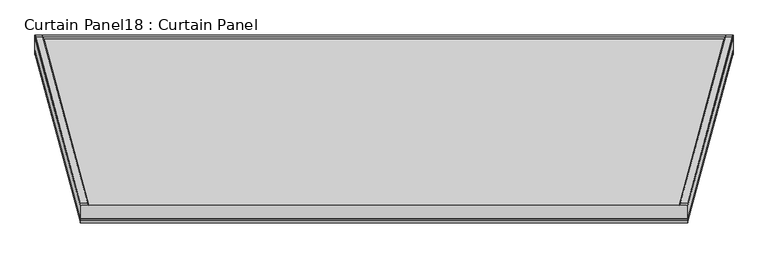
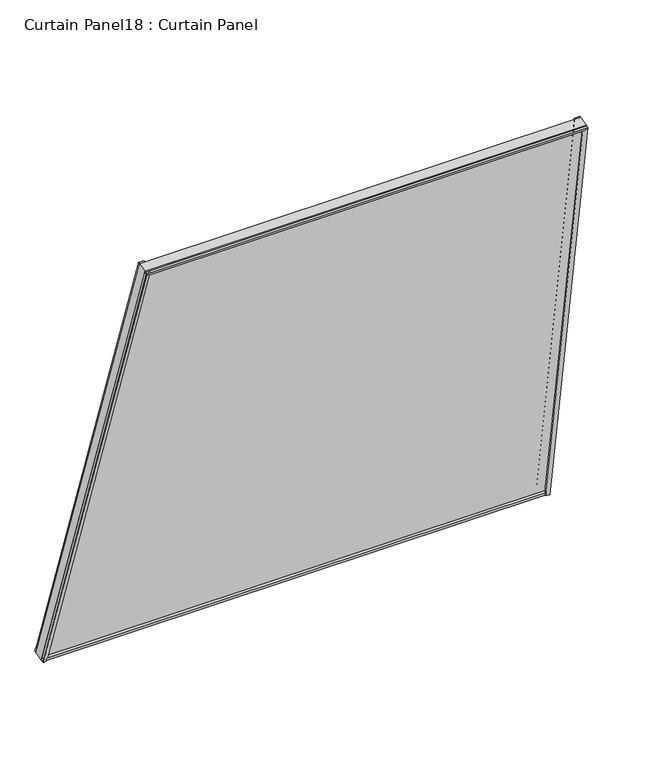
"""IFC4 building model written with IfcOpenShell, lengths in millimetres: plate geometry, Curtain Panel18 : Curtain Panel."""

from ifc_helpers import new_model, si_unit, frame, origin, place, context, project, spatial, polyline, outline, extrude, source, transform, mapped, element, save


def curtain_panel18_curtain_panel_4ef31c7c(model_context):
    return source(origin(), model_context, "Body", "SweptSolid", [
        extrude(outline(polyline([(-10733.8683412, 990.8788745), (-10738.4389607, 989.6959111), (-10742.675432, 1006.0643793), (-10736.9817976, 1002.9083462), (-10733.8683412, 990.8788745)])), frame((-12977.0625057, 0.0, 0.0), z_axis=(1.0, 0.0, 0.0), x_axis=(0.0, 1.0, 0.0)), (0.0, 0.0, 1.0), 1545.7651943),
        extrude(outline(polyline([(-10767.6392874, 982.1383104), (-10774.1709394, 980.4477945), (-10776.7616731, 990.4576208), (-10770.528244, 993.3003817), (-10767.6392874, 982.1383104)])), frame((-12977.0625057, 0.0, 0.0), z_axis=(1.0, 0.0, 0.0), x_axis=(0.0, 1.0, 0.0)), (0.0, 0.0, 1.0), 1545.7651943),
        extrude(outline(polyline([(-11144.4494592, 2425.3824524), (-11141.3767527, 2426.1489901), (-11137.9079745, 2412.7466606), (-11145.1161186, 2412.8018622), (-11150.521758, 2422.5508929), (-11144.4494592, 2425.3824524)])), frame((-12876.9376308, 0.0, 0.0), z_axis=(1.0, 0.0, 0.0), x_axis=(0.0, 1.0, 0.0)), (0.0, 0.0, 1.0), 1345.5154444),
        extrude(outline(polyline([(36.8156049, -19.5714958), (36.8156049, -0.3935967), (41.5499439, -0.3935967), (41.5591074, -16.5482921), (36.8156049, -19.5714958)])), frame((-12977.0625057, -10773.9961373, 980.1683943), z_axis=(0.06698729810776123, -0.2500000000000007, 0.9659258262890695), x_axis=(0.0, 0.9681003458863748, 0.25056280708573175)), (0.0, 0.0, 1.0), 1494.6844853),
        extrude(outline(polyline([(0.3031049, 0.0), (6.653105, 0.0), (6.653105, -11.4749739), (0.3018125, -13.1188092), (-2.8803351, -0.8239349), (0.3031049, 0.0)])), frame((-12977.0625057, -10773.9961373, 980.1683943), z_axis=(0.06698729810776123, -0.2500000000000007, 0.9659258262890695), x_axis=(0.0, 0.9681003458863748, 0.25056280708573175)), (0.0, 0.0, 1.0), 1494.6844853),
        extrude(outline(polyline([(36.8101562, 19.5522851), (41.5540442, 16.5032517), (41.544664, 0.3728165), (36.8101563, 0.3728165), (36.8101562, 19.5522851)])), frame((-11431.2973115, -10773.9961373, 980.1683943), z_axis=(-0.06698729810776112, -0.2500000000000002, 0.9659258262890695), x_axis=(0.0, 0.9681003458863748, 0.2505628070857317)), (0.0, 0.0, 1.0), 1494.6844853),
        extrude(outline(polyline([(0.3222345, 0.0), (-2.8790556, 0.8285548), (0.3030921, 13.1234292), (6.6476563, 11.4813351), (6.6476562, 0.0), (0.3222345, 0.0)])), frame((-11431.2973115, -10773.9961373, 980.1683943), z_axis=(-0.06698729810776112, -0.2500000000000002, 0.9659258262890695), x_axis=(0.0, 0.9681003458863748, 0.2505628070857317)), (0.0, 0.0, 1.0), 1494.6844853),
        extrude(outline(polyline([(-69.1681626, -1e-07), (-172.7147964, -1542.2931402), (-1653.985092, -1342.4931852), (-1563.8526479, 0.0), (-69.1681626, -1e-07)])), frame((-12981.6958941, -10750.3472468, 915.3269958), z_axis=(0.0, 0.9681003458863748, 0.25056280708573175), x_axis=(-0.06698729810776251, 0.25000000000000067, -0.9659258262890694)), (0.0, 0.0, 1.0), 30.1625),
    ])


if __name__ == "__main__":
    model = new_model("IFC4")
    model_context = context("Model", 3, world=origin())
    ifc_project = project(units=[si_unit("LENGTHUNIT", "METRE", prefix="MILLI")], contexts=[model_context])
    site = spatial("IfcSite", under=ifc_project)
    building = spatial("IfcBuilding", under=site)
    placement = place(None, origin())
    curtain_panel18_curtain_panel_shape = curtain_panel18_curtain_panel_4ef31c7c(model_context)
    element("IfcPlate", 1, ObjectType="Curtain Panel18 : Curtain Panel", at=placement, inside=building, context=model_context, shape_type="MappedRepresentation", body=[
        mapped(curtain_panel18_curtain_panel_shape, transform((0.0, 0.0, 0.0), x_axis=(1.0, 0.0, 0.0), y_axis=(0.0, 1.0, 0.0), z_axis=(0.0, 0.0, 1.0))),
    ])
    save(model, "model.ifc")
